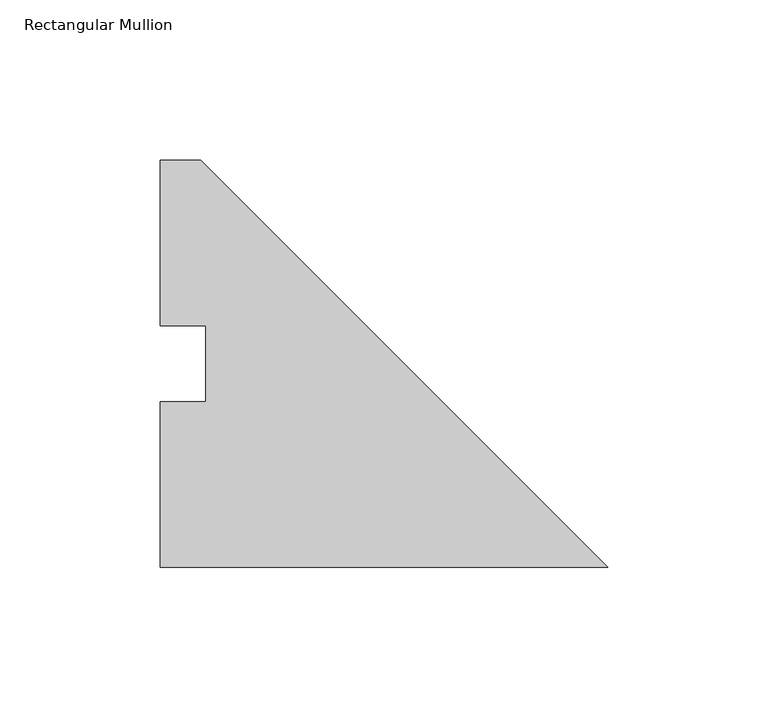
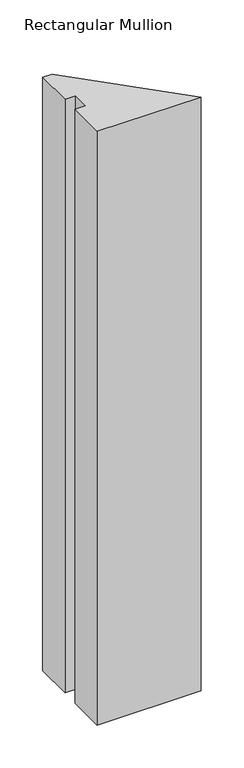
"""IFC4 building model written with IfcOpenShell, lengths in millimetres: member geometry, Rectangular Mullion."""

from ifc_helpers import new_model, si_unit, frame, origin, place, context, project, spatial, polyline, outline, extrude, source, transform, mapped, element, save


def rectangular_mullion_0fc1bc3d(model_context):
    return source(origin(), model_context, "Body", "SweptSolid", [
        extrude(outline(polyline([(-139.7, 0.00635), (-139.7, 51.60645), (-125.4125, 51.60645), (-125.4125, 75.40625), (-139.7, 75.40625), (-139.7, 127.00635), (-127.0, 127.00635), (0.0, 0.00635), (-139.7, 0.00635)])), frame((0.0, 0.0, -844.55), z_axis=(0.0, 0.0, 1.0), x_axis=(1.0, 0.0, 0.0)), (0.0, 0.0, 1.0), 844.55),
    ])


if __name__ == "__main__":
    model = new_model("IFC4")
    model_context = context("Model", 3, world=origin())
    ifc_project = project(units=[si_unit("LENGTHUNIT", "METRE", prefix="MILLI")], contexts=[model_context])
    site = spatial("IfcSite", under=ifc_project)
    building = spatial("IfcBuilding", under=site)
    placement = place(None, origin())
    rectangular_mullion_shape = rectangular_mullion_0fc1bc3d(model_context)
    element("IfcMember", 1, ObjectType="Rectangular Mullion", at=placement, inside=building, context=model_context, shape_type="MappedRepresentation", body=[
        mapped(rectangular_mullion_shape, transform((0.0, 0.0, 0.0), x_axis=(1.0, 0.0, 0.0), y_axis=(0.0, 1.0, 0.0), z_axis=(0.0, 0.0, 1.0))),
    ])
    save(model, "model.ifc")
